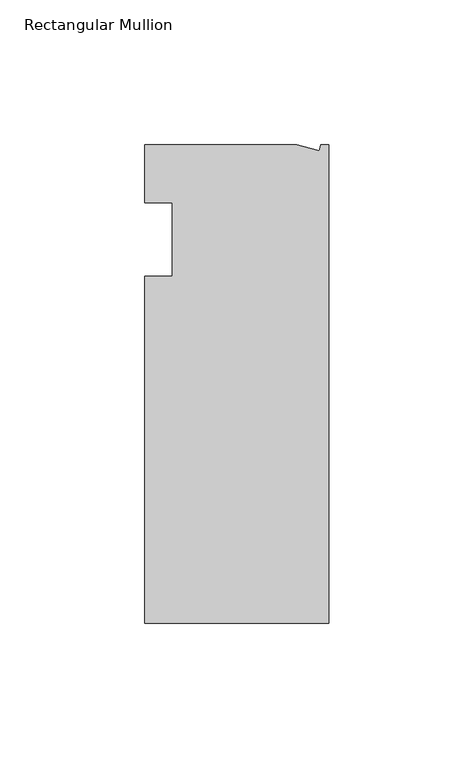
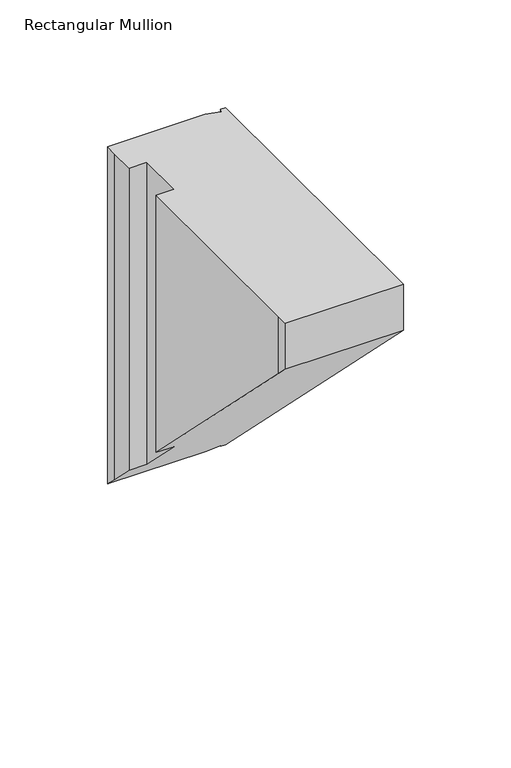
"""IFC4 building model written with IfcOpenShell, lengths in millimetres: member geometry, Rectangular Mullion."""

from ifc_helpers import new_model, si_unit, origin, place, context, project, spatial, faceted_brep, source, transform, mapped, element, save


def rectangular_mullion_69d4a69d(model_context):
    return source(origin(), model_context, "Body", "Brep", [
        faceted_brep([(0.0, -132.5561012, 0.0), (0.0, 32.5438988, 0.0), (-2.7616541, 32.5438988, 0.0), (-3.3341886, 30.4622958, 0.0), (-11.121847, 32.5438988, 0.0), (-63.5, 32.5438988, 0.0), (-63.5, 26.1938988, 0.0), (-63.5, 12.5945801, 0.0), (-53.975, 12.5945801, 0.0), (-53.975, -12.8054199, 0.0), (-63.5, -12.8054199, 0.0), (-63.5, -126.2061012, 0.0), (-63.5, -132.5561012, 0.0), (0.0, -132.5561012, -26.1938988), (0.0, 32.5438988, -191.2938988), (-2.7616541, 32.5438988, -191.2938988), (-3.3341886, 30.4622958, -189.2122958), (-11.121847, 32.5438988, -191.2938988), (-63.5, 32.5438988, -191.2938988), (-63.5, 26.1938988, -184.9438988), (-63.5, 12.5945801, -171.3445801), (-53.975, 12.5945801, -171.3445801), (-53.975, -12.8054199, -145.9445801), (-63.5, -12.8054199, -145.9445801), (-63.5, -126.2061012, -32.5438988), (-63.5, -132.5561012, -26.1938988)], [[[0, 1, 2, 3, 4, 5, 6, 7, 8, 9, 10, 11, 12]], [[1, 0, 13, 14]], [[2, 1, 14, 15]], [[3, 2, 15, 16]], [[4, 3, 16, 17]], [[5, 4, 17, 18]], [[6, 5, 18, 19]], [[7, 6, 19, 20]], [[8, 7, 20, 21]], [[9, 8, 21, 22]], [[10, 9, 22, 23]], [[11, 10, 23, 24]], [[12, 11, 24, 25]], [[0, 12, 25, 13]], [[13, 25, 24, 23, 22, 21, 20, 19, 18, 17, 16, 15, 14]]]),
    ])


if __name__ == "__main__":
    model = new_model("IFC4")
    model_context = context("Model", 3, world=origin())
    ifc_project = project(units=[si_unit("LENGTHUNIT", "METRE", prefix="MILLI")], contexts=[model_context])
    site = spatial("IfcSite", under=ifc_project)
    building = spatial("IfcBuilding", under=site)
    placement = place(None, origin())
    rectangular_mullion_shape = rectangular_mullion_69d4a69d(model_context)
    element("IfcMember", 1, ObjectType="Rectangular Mullion", at=placement, inside=building, context=model_context, shape_type="MappedRepresentation", body=[
        mapped(rectangular_mullion_shape, transform((0.0, 0.0, 0.0), x_axis=(1.0, 0.0, 0.0), y_axis=(0.0, 1.0, 0.0), z_axis=(0.0, 0.0, 1.0))),
    ])
    save(model, "model.ifc")
